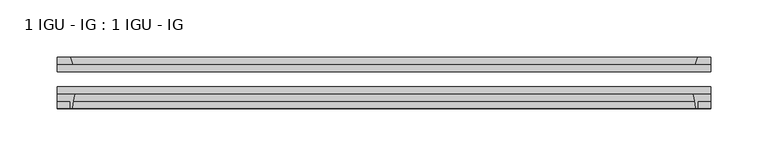
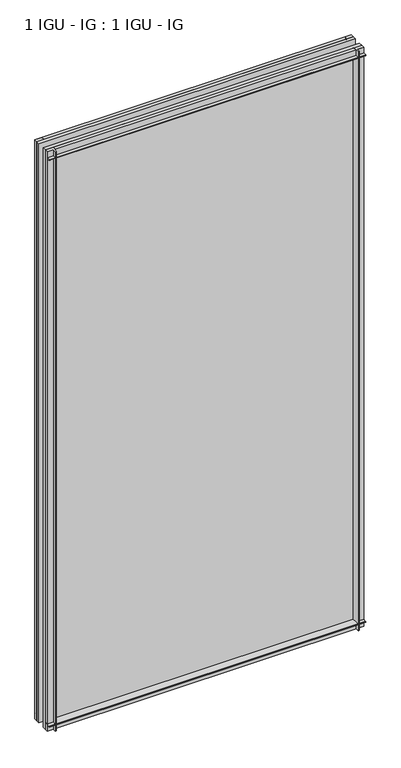
"""IFC4 building model written with IfcOpenShell, lengths in millimetres: plate geometry, 1 IGU - IG : 1 IGU - IG."""

from ifc_helpers import new_model, si_unit, point, frame, frame_2d, origin, place, context, project, spatial, polyline, circle_curve, trimmed, segment, composite_curve, outline, extrude, source, transform, mapped, element, save


def plate_1_igu_ig_1_igu_ig_17a99d55(model_context):
    return source(origin(), model_context, "Body", "SweptSolid", [
        extrude(outline(polyline([(303.6937375, -31.75), (303.6937375, -38.1), (-265.5937375, -38.1), (-265.5937375, -31.75), (303.6937375, -31.75)])), frame((0.0, 0.0, -11.1125), z_axis=(0.0, 0.0, 1.0), x_axis=(1.0, 0.0, 0.0)), (0.0, 0.0, 1.0), 1101.725),
        extrude(outline(polyline([(-265.5937375, -12.7), (303.6937375, -12.7), (303.6937375, -19.05), (-265.5937375, -19.05), (-265.5937375, -12.7)])), frame((0.0, 0.0, -11.1125), z_axis=(0.0, 0.0, 1.0), x_axis=(1.0, 0.0, 0.0)), (0.0, 0.0, 1.0), 1101.725),
        extrude(outline(composite_curve([segment(polyline([(-265.5937375, -38.1), (-250.3000582, -38.1)]), True, "CONTINUOUS"), segment(trimmed(circle_curve(frame_2d((-207.0410419, -53.3794536)), 45.8781451), [point((-250.3000582, -38.1))], [point((-252.8012947, -50.0925922))], True, "CARTESIAN"), True, "CONTINUOUS"), segment(trimmed(circle_curve(frame_2d((-253.5613366, -50.038)), 0.762), [point((-252.8012947, -50.0925922))], [point((-253.5613366, -50.8))], False, "CARTESIAN"), True, "CONTINUOUS"), segment(polyline([(-253.5613366, -50.8), (-254.4812375, -50.8), (-254.4812375, -44.45), (-265.5937375, -44.45), (-265.5937375, -38.1)]), True, "CONTINUOUS")], self_intersect=False)), frame((0.0, 0.0, -11.1125), z_axis=(0.0, 0.0, 1.0), x_axis=(1.0, 0.0, 0.0)), (0.0, 0.0, 1.0), 1101.725),
        extrude(outline(polyline([(-252.3759604, -12.7), (-265.5937375, -12.7), (-265.5937375, -6.35), (-254.4812375, -6.35), (-252.3759604, -12.7)])), frame((0.0, 0.0, -11.1125), z_axis=(0.0, 0.0, 1.0), x_axis=(1.0, 0.0, 0.0)), (0.0, 0.0, 1.0), 1101.725),
        extrude(outline(polyline([(303.6937375, -12.7), (290.4759604, -12.7), (292.5812375, -6.35), (303.6937375, -6.35), (303.6937375, -12.7)])), frame((0.0, 0.0, -11.1125), z_axis=(0.0, 0.0, 1.0), x_axis=(1.0, 0.0, 0.0)), (0.0, 0.0, 1.0), 1101.725),
        extrude(outline(composite_curve([segment(polyline([(288.4000582, -38.1), (303.6937375, -38.1), (303.6937375, -44.45), (292.5812375, -44.45), (292.5812375, -50.8), (291.6613366, -50.8)]), True, "CONTINUOUS"), segment(trimmed(circle_curve(frame_2d((291.6613366, -50.038)), 0.762), [point((291.6613366, -50.8))], [point((290.9012947, -50.0925922))], False, "CARTESIAN"), True, "CONTINUOUS"), segment(trimmed(circle_curve(frame_2d((245.1410419, -53.3794536)), 45.8781451), [point((290.9012947, -50.0925922))], [point((288.4000582, -38.1))], True, "CARTESIAN"), True, "CONTINUOUS")], self_intersect=False)), frame((0.0, 0.0, -11.1125), z_axis=(0.0, 0.0, 1.0), x_axis=(1.0, 0.0, 0.0)), (0.0, 0.0, 1.0), 1101.725),
        extrude(outline(polyline([(-12.7, -11.1125), (-12.7, 2.1052771), (-6.35, 0.0), (-6.35, -11.1125), (-12.7, -11.1125)])), frame((-265.5937375, 0.0, 0.0), z_axis=(1.0, 0.0, 0.0), x_axis=(0.0, 1.0, 0.0)), (0.0, 0.0, 1.0), 569.2874749),
        extrude(outline(composite_curve([segment(polyline([(-38.1, 4.1811793), (-38.1, -11.1125), (-44.45, -11.1125), (-44.45, 0.0), (-50.8, 0.0), (-50.8, 0.9199009)]), True, "CONTINUOUS"), segment(trimmed(circle_curve(frame_2d((-50.038, 0.9199009)), 0.762), [point((-50.8, 0.9199009))], [point((-50.0925922, 1.6799428))], False, "CARTESIAN"), True, "CONTINUOUS"), segment(trimmed(circle_curve(frame_2d((-53.3794536, 47.4401956)), 45.8781451), [point((-50.0925922, 1.6799428))], [point((-38.1, 4.1811793))], True, "CARTESIAN"), True, "CONTINUOUS")], self_intersect=False)), frame((-265.5937375, 0.0, 0.0), z_axis=(1.0, 0.0, 0.0), x_axis=(0.0, 1.0, 0.0)), (0.0, 0.0, 1.0), 569.2874749),
        extrude(outline(polyline([(-6.35, 1079.5), (-12.7, 1077.3947229), (-12.7, 1090.6125), (-6.35, 1090.6125), (-6.35, 1079.5)])), frame((-265.5937375, 0.0, 0.0), z_axis=(1.0, 0.0, 0.0), x_axis=(0.0, 1.0, 0.0)), (0.0, 0.0, 1.0), 569.2874749),
        extrude(outline(composite_curve([segment(polyline([(-38.1, 1090.6125), (-38.1, 1075.3188207)]), True, "CONTINUOUS"), segment(trimmed(circle_curve(frame_2d((-53.3794536, 1032.0598044)), 45.8781451), [point((-38.1, 1075.3188207))], [point((-50.0925922, 1077.8200572))], True, "CARTESIAN"), True, "CONTINUOUS"), segment(trimmed(circle_curve(frame_2d((-50.038, 1078.5800991)), 0.762), [point((-50.0925922, 1077.8200572))], [point((-50.8, 1078.5800991))], False, "CARTESIAN"), True, "CONTINUOUS"), segment(polyline([(-50.8, 1078.5800991), (-50.8, 1079.5), (-44.45, 1079.5), (-44.45, 1090.6125), (-38.1, 1090.6125)]), True, "CONTINUOUS")], self_intersect=False)), frame((-265.5937375, 0.0, 0.0), z_axis=(1.0, 0.0, 0.0), x_axis=(0.0, 1.0, 0.0)), (0.0, 0.0, 1.0), 569.2874749),
    ])


if __name__ == "__main__":
    model = new_model("IFC4")
    model_context = context("Model", 3, world=origin())
    ifc_project = project(units=[si_unit("LENGTHUNIT", "METRE", prefix="MILLI")], contexts=[model_context])
    site = spatial("IfcSite", under=ifc_project)
    building = spatial("IfcBuilding", under=site)
    placement = place(None, origin())
    plate_1_igu_ig_1_igu_ig_shape = plate_1_igu_ig_1_igu_ig_17a99d55(model_context)
    element("IfcPlate", 1, ObjectType="1 IGU - IG : 1 IGU - IG", at=placement, inside=building, context=model_context, shape_type="MappedRepresentation", body=[
        mapped(plate_1_igu_ig_1_igu_ig_shape, transform((0.0, 0.0, 0.0), x_axis=(1.0, 0.0, 0.0), y_axis=(0.0, 1.0, 0.0), z_axis=(0.0, 0.0, 1.0))),
    ])
    save(model, "model.ifc")
